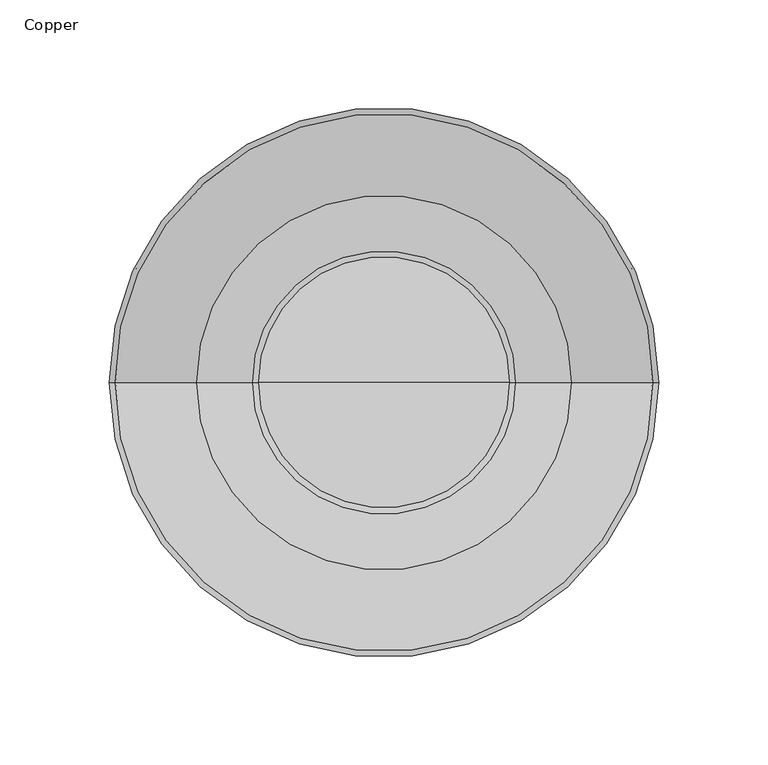
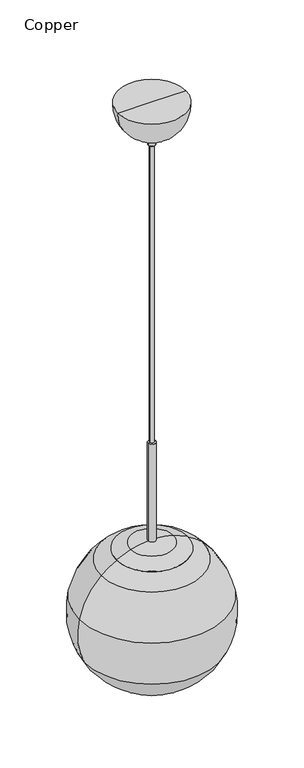
"""IFC4 building model written with IfcOpenShell, lengths in millimetres: furniture geometry, Copper."""

from ifc_helpers import new_model, si_unit, point, frame, origin, place, context, project, spatial, polyline, circle_curve, ellipse_curve, trimmed, source, transform, mapped, element, save
from ifc_brep_helpers import plane_surface, cylinder_surface, revolved_surface, advanced_brep


def copper_53b5c89a(model_context):
    return source(origin(), model_context, "Body", "AdvancedBrep", [
        advanced_brep(
        [(6.5, 0.0, 1676.4), (-6.5, 0.0, 1676.4), (0.0, 0.0, 1676.4), (6.5, 0.0, 1501.3458771), (-6.5, 0.0, 1501.3458771), (35.8323867, 0.0, 1496.3359968), (-35.8323867, 0.0, 1496.3359968), (60.25, 0.0, 1485.9713348), (-60.25, 0.0, 1485.9713348), (59.7818527, 0.0, 1485.0876831), (-59.7818527, 0.0, 1485.0876831), (85.7983932, 0.0, 1467.0335754), (-85.7983932, 0.0, 1467.0335754), (123.2234955, 0.0, 1401.8036255), (-123.2234955, 0.0, 1401.8036255), (114.4541931, 0.0, 1321.767691), (-114.4541931, 0.0, 1321.767691), (75.2418823, 0.0, 1274.3469604), (-75.2418823, 0.0, 1274.3469604), (73.4864235, 0.0, 1274.3469604), (-73.4864235, 0.0, 1274.3469604), (113.532471, 0.0, 1322.1951069), (-113.532471, 0.0, 1322.1951069), (122.2310909, 0.0, 1401.5859349), (-122.2310909, 0.0, 1401.5859349), (85.1096055, 0.0, 1466.2866969), (-85.1096055, 0.0, 1466.2866969), (57.4904534, 0.0, 1485.0876831), (-57.4904534, 0.0, 1485.0876831), (50.9951096, 0.0, 1474.0021271), (-50.9951096, 0.0, 1474.0021271), (-50.9951096, 0.0, 1485.0876831), (50.9951096, 0.0, 1485.0876831), (15.5002022, 0.0, 1474.0021271), (-15.5002022, 0.0, 1474.0021271), (15.5002022, 0.0, 1421.0999512), (-15.5002022, 0.0, 1421.0999512), (14.4842022, 0.0, 1421.0999512), (-14.4842022, 0.0, 1421.0999512), (14.4842022, 0.0, 1474.0021271), (-14.4842022, 0.0, 1474.0021271), (0.0, 0.0, 1474.0021271)],
        [
            (0, 1, circle_curve(frame((0.0, 0.0, 1676.4), z_axis=(0.0, 0.0, 1.0), x_axis=(-1.0, 0.0, 0.0)), 6.5)),
            (1, 2),
            (2, 0),
            (1, 0, circle_curve(frame((0.0, 0.0, 1676.4), z_axis=(0.0, 0.0, 1.0), x_axis=(-1.0, 0.0, 0.0)), 6.5)),
            (3, 4, circle_curve(frame((0.0, 0.0, 1501.3458771), z_axis=(0.0, 0.0, 1.0), x_axis=(-1.0, 0.0, 0.0)), 6.5)),
            (4, 1),
            (0, 3),
            (4, 3, circle_curve(frame((0.0, 0.0, 1501.3458771), z_axis=(0.0, 0.0, 1.0), x_axis=(-1.0, 0.0, 0.0)), 6.5)),
            (5, 6, circle_curve(frame((0.0, 0.0, 1496.3359968), z_axis=(0.0, 0.0, 1.0), x_axis=(-1.0, 0.0, 0.0)), 35.8323867)),
            (6, 4, circle_curve(frame((-3.5340236, 0.0, 1395.6062108), z_axis=(0.0, 1.0, 0.0), x_axis=(1.0, 0.0, 0.0)), 105.7812556)),
            (3, 5, circle_curve(frame((3.5340236, 0.0, 1395.6062108), z_axis=(0.0, 1.0, 0.0), x_axis=(-1.0, 0.0, 0.0)), 105.7812556)),
            (6, 5, circle_curve(frame((0.0, 0.0, 1496.3359968), z_axis=(0.0, 0.0, 1.0), x_axis=(-1.0, 0.0, 0.0)), 35.8323867)),
            (7, 8, circle_curve(frame((0.0, 0.0, 1485.9713348), z_axis=(0.0, 0.0, 1.0), x_axis=(-1.0, 0.0, 0.0)), 60.25)),
            (8, 6, circle_curve(frame((8.6630824, 0.0, 1357.5667636), z_axis=(0.0, 1.0, 0.0), x_axis=(1.0, 0.0, 0.0)), 145.7283323)),
            (5, 7, circle_curve(frame((-8.6630824, 0.0, 1357.5667636), z_axis=(0.0, 1.0, 0.0), x_axis=(-1.0, 0.0, 0.0)), 145.7283323)),
            (8, 7, circle_curve(frame((0.0, 0.0, 1485.9713348), z_axis=(0.0, 0.0, 1.0), x_axis=(-1.0, 0.0, 0.0)), 60.25)),
            (9, 10, circle_curve(frame((0.0, 0.0, 1485.0876831), z_axis=(0.0, 0.0, 1.0), x_axis=(-1.0, 0.0, 0.0)), 59.7818527)),
            (10, 8),
            (7, 9),
            (10, 9, circle_curve(frame((0.0, 0.0, 1485.0876831), z_axis=(0.0, 0.0, 1.0), x_axis=(-1.0, 0.0, 0.0)), 59.7818527)),
            (11, 12, circle_curve(frame((0.0, 0.0, 1467.0335754), z_axis=(0.0, 0.0, 1.0), x_axis=(-1.0, 0.0, 0.0)), 85.7983932)),
            (12, 10, circle_curve(frame((-7.9378451, 0.0, 1382.6064443), z_axis=(0.0, 1.0, 0.0), x_axis=(1.0, 0.0, 0.0)), 114.8486196)),
            (9, 11, circle_curve(frame((7.9378451, 0.0, 1382.6064443), z_axis=(0.0, 1.0, 0.0), x_axis=(-1.0, 0.0, 0.0)), 114.8486196)),
            (12, 11, circle_curve(frame((0.0, 0.0, 1467.0335754), z_axis=(0.0, 0.0, 1.0), x_axis=(-1.0, 0.0, 0.0)), 85.7983932)),
            (13, 14, circle_curve(frame((0.0, 0.0, 1401.8036255), z_axis=(0.0, 0.0, 1.0), x_axis=(-1.0, 0.0, 0.0)), 123.2234955)),
            (14, 12, circle_curve(frame((-0.8954985, 0.0, 1374.9701622), z_axis=(0.0, 1.0, 0.0), x_axis=(1.0, 0.0, 0.0)), 125.2364707)),
            (11, 13, circle_curve(frame((0.8954985, 0.0, 1374.9701622), z_axis=(0.0, 1.0, 0.0), x_axis=(-1.0, 0.0, 0.0)), 125.2364707)),
            (14, 13, circle_curve(frame((0.0, 0.0, 1401.8036255), z_axis=(0.0, 0.0, 1.0), x_axis=(-1.0, 0.0, 0.0)), 123.2234955)),
            (15, 16, circle_curve(frame((0.0, 0.0, 1321.767691), z_axis=(0.0, 0.0, 1.0), x_axis=(-1.0, 0.0, 0.0)), 114.4541931)),
            (16, 14, circle_curve(frame((-0.0995761, 0.0, 1374.7955713), z_axis=(0.0, 1.0, 0.0), x_axis=(1.0, 0.0, 0.0)), 126.051317)),
            (13, 15, circle_curve(frame((0.0995761, 0.0, 1374.7955713), z_axis=(0.0, 1.0, 0.0), x_axis=(-1.0, 0.0, 0.0)), 126.051317)),
            (16, 15, circle_curve(frame((0.0, 0.0, 1321.767691), z_axis=(0.0, 0.0, 1.0), x_axis=(-1.0, 0.0, 0.0)), 114.4541931)),
            (17, 18, circle_curve(frame((0.0, 0.0, 1274.3469604), z_axis=(0.0, 0.0, 1.0), x_axis=(-1.0, 0.0, 0.0)), 75.2418823)),
            (18, 16, circle_curve(frame((-4.5310961, 0.0, 1372.7406117), z_axis=(0.0, 1.0, 0.0), x_axis=(1.0, 0.0, 0.0)), 121.1665214)),
            (15, 17, circle_curve(frame((4.5310961, 0.0, 1372.7406117), z_axis=(0.0, 1.0, 0.0), x_axis=(-1.0, 0.0, 0.0)), 121.1665214)),
            (18, 17, circle_curve(frame((0.0, 0.0, 1274.3469604), z_axis=(0.0, 0.0, 1.0), x_axis=(-1.0, 0.0, 0.0)), 75.2418823)),
            (19, 20, circle_curve(frame((0.0, 0.0, 1274.3469604), z_axis=(0.0, 0.0, 1.0), x_axis=(-1.0, 0.0, 0.0)), 73.4864235)),
            (20, 18),
            (17, 19),
            (20, 19, circle_curve(frame((0.0, 0.0, 1274.3469604), z_axis=(0.0, 0.0, 1.0), x_axis=(-1.0, 0.0, 0.0)), 73.4864235)),
            (21, 22, circle_curve(frame((0.0, 0.0, 1322.1951069), z_axis=(0.0, 0.0, 1.0), x_axis=(-1.0, 0.0, 0.0)), 113.532471)),
            (22, 20, circle_curve(frame((-4.5310961, 0.0, 1372.7406117), z_axis=(0.0, -1.0, 0.0), x_axis=(1.0, 0.0, 0.0)), 120.1505214)),
            (19, 21, circle_curve(frame((4.5310961, 0.0, 1372.7406117), z_axis=(0.0, -1.0, 0.0), x_axis=(-1.0, 0.0, 0.0)), 120.1505214)),
            (22, 21, circle_curve(frame((0.0, 0.0, 1322.1951069), z_axis=(0.0, 0.0, 1.0), x_axis=(-1.0, 0.0, 0.0)), 113.532471)),
            (23, 24, circle_curve(frame((0.0, 0.0, 1401.5859349), z_axis=(0.0, 0.0, 1.0), x_axis=(-1.0, 0.0, 0.0)), 122.2310909)),
            (24, 22, circle_curve(frame((-0.0995761, 0.0, 1374.7955713), z_axis=(0.0, -1.0, 0.0), x_axis=(1.0, 0.0, 0.0)), 125.035317)),
            (21, 23, circle_curve(frame((0.0995761, 0.0, 1374.7955713), z_axis=(0.0, -1.0, 0.0), x_axis=(-1.0, 0.0, 0.0)), 125.035317)),
            (24, 23, circle_curve(frame((0.0, 0.0, 1401.5859349), z_axis=(0.0, 0.0, 1.0), x_axis=(-1.0, 0.0, 0.0)), 122.2310909)),
            (25, 26, circle_curve(frame((0.0, 0.0, 1466.2866969), z_axis=(0.0, 0.0, 1.0), x_axis=(-1.0, 0.0, 0.0)), 85.1096055)),
            (26, 24, circle_curve(frame((-0.8954985, 0.0, 1374.9701622), z_axis=(0.0, -1.0, 0.0), x_axis=(1.0, 0.0, 0.0)), 124.2204707)),
            (23, 25, circle_curve(frame((0.8954985, 0.0, 1374.9701622), z_axis=(0.0, -1.0, 0.0), x_axis=(-1.0, 0.0, 0.0)), 124.2204707)),
            (26, 25, circle_curve(frame((0.0, 0.0, 1466.2866969), z_axis=(0.0, 0.0, 1.0), x_axis=(-1.0, 0.0, 0.0)), 85.1096055)),
            (27, 28, circle_curve(frame((0.0, 0.0, 1485.0876831), z_axis=(0.0, 0.0, 1.0), x_axis=(-1.0, 0.0, 0.0)), 57.4904534)),
            (28, 26, circle_curve(frame((-7.9378451, 0.0, 1382.6064443), z_axis=(0.0, -1.0, 0.0), x_axis=(1.0, 0.0, 0.0)), 113.8326196)),
            (25, 27, circle_curve(frame((7.9378451, 0.0, 1382.6064443), z_axis=(0.0, -1.0, 0.0), x_axis=(-1.0, 0.0, 0.0)), 113.8326196)),
            (28, 27, circle_curve(frame((0.0, 0.0, 1485.0876831), z_axis=(0.0, 0.0, 1.0), x_axis=(-1.0, 0.0, 0.0)), 57.4904534)),
            (29, 30, circle_curve(frame((0.0, 0.0, 1474.0021271), z_axis=(0.0, 0.0, 1.0), x_axis=(-1.0, 0.0, 0.0)), 50.9951096)),
            (30, 31),
            (31, 32, circle_curve(frame((0.0, 0.0, 1485.0876831), z_axis=(0.0, 0.0, -1.0), x_axis=(-1.0, 0.0, 0.0)), 50.9951096)),
            (32, 29),
            (30, 29, circle_curve(frame((0.0, 0.0, 1474.0021271), z_axis=(0.0, 0.0, 1.0), x_axis=(-1.0, 0.0, 0.0)), 50.9951096)),
            (32, 31, circle_curve(frame((0.0, 0.0, 1485.0876831), z_axis=(0.0, 0.0, -1.0), x_axis=(-1.0, 0.0, 0.0)), 50.9951096)),
            (33, 34, circle_curve(frame((0.0, 0.0, 1474.0021271), z_axis=(0.0, 0.0, 1.0), x_axis=(-1.0, 0.0, 0.0)), 15.5002022)),
            (34, 30),
            (29, 33),
            (34, 33, circle_curve(frame((0.0, 0.0, 1474.0021271), z_axis=(0.0, 0.0, 1.0), x_axis=(-1.0, 0.0, 0.0)), 15.5002022)),
            (35, 36, circle_curve(frame((0.0, 0.0, 1421.0999512), z_axis=(0.0, 0.0, 1.0), x_axis=(-1.0, 0.0, 0.0)), 15.5002022)),
            (36, 34),
            (33, 35),
            (36, 35, circle_curve(frame((0.0, 0.0, 1421.0999512), z_axis=(0.0, 0.0, 1.0), x_axis=(-1.0, 0.0, 0.0)), 15.5002022)),
            (37, 38, circle_curve(frame((0.0, 0.0, 1421.0999512), z_axis=(0.0, 0.0, 1.0), x_axis=(-1.0, 0.0, 0.0)), 14.4842022)),
            (38, 36),
            (35, 37),
            (38, 37, circle_curve(frame((0.0, 0.0, 1421.0999512), z_axis=(0.0, 0.0, 1.0), x_axis=(-1.0, 0.0, 0.0)), 14.4842022)),
            (39, 40, circle_curve(frame((0.0, 0.0, 1474.0021271), z_axis=(0.0, 0.0, 1.0), x_axis=(-1.0, 0.0, 0.0)), 14.4842022)),
            (40, 38),
            (37, 39),
            (40, 39, circle_curve(frame((0.0, 0.0, 1474.0021271), z_axis=(0.0, 0.0, 1.0), x_axis=(-1.0, 0.0, 0.0)), 14.4842022)),
            (41, 40),
            (39, 41),
            (31, 28),
            (27, 32),
        ],
        [
            plane_surface(frame((0.0, 0.0, 1676.4), z_axis=(0.0, 0.0, 1.0), x_axis=(-1.0, 0.0, 0.0))),
            cylinder_surface(frame((0.0, 0.0, 1045.5765484), z_axis=(0.0, 0.0, -1.0), x_axis=(-1.0, 0.0, 0.0)), 6.5),
            revolved_surface(trimmed(ellipse_curve(frame((-3.5340236, 0.0, 1395.6062108), z_axis=(0.0, -1.0, 0.0), x_axis=(1.0, 0.0, 0.0)), 105.7812556, 105.7812556), [point((-6.5, 0.0, 1501.3458771))], [point((-35.8323867, 0.0, 1496.3359968))], True, "CARTESIAN"), (0.0, 0.0, 1045.5765484), (0.0, 0.0, -1.0)),
            revolved_surface(trimmed(ellipse_curve(frame((8.6630824, 0.0, 1357.5667636), z_axis=(0.0, -1.0, 0.0), x_axis=(1.0, 0.0, 0.0)), 145.7283323, 145.7283323), [point((-35.8323867, 0.0, 1496.3359968))], [point((-60.25, 0.0, 1485.9713348))], True, "CARTESIAN"), (0.0, 0.0, 1045.5765484), (0.0, 0.0, -1.0)),
            revolved_surface(polyline([(-60.25, 0.0, 1485.9713348), (-59.7818527, 0.0, 1485.0876831)]), (0.0, 0.0, 1045.5765484), (0.0, 0.0, -1.0)),
            revolved_surface(trimmed(ellipse_curve(frame((-7.9378451, 0.0, 1382.6064443), z_axis=(0.0, -1.0, 0.0), x_axis=(1.0, 0.0, 0.0)), 114.8486196, 114.8486196), [point((-59.7818527, 0.0, 1485.0876831))], [point((-85.7983932, 0.0, 1467.0335754))], True, "CARTESIAN"), (0.0, 0.0, 1045.5765484), (0.0, 0.0, -1.0)),
            revolved_surface(trimmed(ellipse_curve(frame((-0.8954985, 0.0, 1374.9701622), z_axis=(0.0, -1.0, 0.0), x_axis=(1.0, 0.0, 0.0)), 125.2364707, 125.2364707), [point((-85.7983932, 0.0, 1467.0335754))], [point((-123.2234955, 0.0, 1401.8036255))], True, "CARTESIAN"), (0.0, 0.0, 1045.5765484), (0.0, 0.0, -1.0)),
            revolved_surface(trimmed(ellipse_curve(frame((-0.0995761, 0.0, 1374.7955713), z_axis=(0.0, -1.0, 0.0), x_axis=(1.0, 0.0, 0.0)), 126.051317, 126.051317), [point((-123.2234955, 0.0, 1401.8036255))], [point((-114.4541931, 0.0, 1321.767691))], True, "CARTESIAN"), (0.0, 0.0, 1045.5765484), (0.0, 0.0, -1.0)),
            revolved_surface(trimmed(ellipse_curve(frame((-4.5310961, 0.0, 1372.7406117), z_axis=(0.0, -1.0, 0.0), x_axis=(1.0, 0.0, 0.0)), 121.1665214, 121.1665214), [point((-114.4541931, 0.0, 1321.767691))], [point((-75.2418823, 0.0, 1274.3469604))], True, "CARTESIAN"), (0.0, 0.0, 1045.5765484), (0.0, 0.0, -1.0)),
            plane_surface(frame((0.0, 0.0, 1274.3469604), z_axis=(0.0, 0.0, -1.0), x_axis=(-1.0, 0.0, 0.0))),
            revolved_surface(trimmed(ellipse_curve(frame((-4.5310961, 0.0, 1372.7406117), z_axis=(0.0, 1.0, 0.0), x_axis=(1.0, 0.0, 0.0)), 120.1505214, 120.1505214), [point((-73.4864235, 0.0, 1274.3469604))], [point((-113.532471, 0.0, 1322.1951069))], True, "CARTESIAN"), (0.0, 0.0, 1045.5765484), (0.0, 0.0, -1.0)),
            revolved_surface(trimmed(ellipse_curve(frame((-0.0995761, 0.0, 1374.7955713), z_axis=(0.0, 1.0, 0.0), x_axis=(1.0, 0.0, 0.0)), 125.035317, 125.035317), [point((-113.532471, 0.0, 1322.1951069))], [point((-122.2310909, 0.0, 1401.5859349))], True, "CARTESIAN"), (0.0, 0.0, 1045.5765484), (0.0, 0.0, -1.0)),
            revolved_surface(trimmed(ellipse_curve(frame((-0.8954985, 0.0, 1374.9701622), z_axis=(0.0, 1.0, 0.0), x_axis=(1.0, 0.0, 0.0)), 124.2204707, 124.2204707), [point((-122.2310909, 0.0, 1401.5859349))], [point((-85.1096055, 0.0, 1466.2866969))], True, "CARTESIAN"), (0.0, 0.0, 1045.5765484), (0.0, 0.0, -1.0)),
            revolved_surface(trimmed(ellipse_curve(frame((-7.9378451, 0.0, 1382.6064443), z_axis=(0.0, 1.0, 0.0), x_axis=(1.0, 0.0, 0.0)), 113.8326196, 113.8326196), [point((-85.1096055, 0.0, 1466.2866969))], [point((-57.4904534, 0.0, 1485.0876831))], True, "CARTESIAN"), (0.0, 0.0, 1045.5765484), (0.0, 0.0, -1.0)),
            cylinder_surface(frame((0.0, 0.0, 1045.5765484), z_axis=(0.0, 0.0, -1.0), x_axis=(-1.0, 0.0, 0.0)), 50.9951096),
            plane_surface(frame((0.0, 0.0, 1474.0021271), z_axis=(0.0, 0.0, -1.0), x_axis=(-1.0, 0.0, 0.0))),
            cylinder_surface(frame((0.0, 0.0, 1045.5765484), z_axis=(0.0, 0.0, -1.0), x_axis=(-1.0, 0.0, 0.0)), 15.5002022),
            plane_surface(frame((0.0, 0.0, 1421.0999512), z_axis=(0.0, 0.0, -1.0), x_axis=(-1.0, 0.0, 0.0))),
            revolved_surface(polyline([(-14.4842022, 0.0, 1421.0999512), (-14.4842022, 0.0, 1474.0021271)]), (0.0, 0.0, 1045.5765484), (0.0, 0.0, -1.0)),
            plane_surface(frame((0.0, 0.0, 1485.0876831), z_axis=(0.0, 0.0, -1.0), x_axis=(-1.0, 0.0, 0.0))),
        ],
        [
            (0, [[1, 2, 3]]),
            (0, [[4, -3, -2]]),
            (1, [[5, 6, -1, 7]]),
            (1, [[8, -7, -4, -6]]),
            (2, [[9, 10, -5, 11]]),
            (2, [[12, -11, -8, -10]]),
            (3, [[13, 14, -9, 15]]),
            (3, [[16, -15, -12, -14]]),
            (4, [[17, 18, -13, 19]]),
            (4, [[20, -19, -16, -18]]),
            (5, [[21, 22, -17, 23]]),
            (5, [[24, -23, -20, -22]]),
            (6, [[25, 26, -21, 27]]),
            (6, [[28, -27, -24, -26]]),
            (7, [[29, 30, -25, 31]]),
            (7, [[32, -31, -28, -30]]),
            (8, [[33, 34, -29, 35]]),
            (8, [[36, -35, -32, -34]]),
            (9, [[37, 38, -33, 39]]),
            (9, [[40, -39, -36, -38]]),
            (10, [[41, 42, -37, 43]]),
            (10, [[44, -43, -40, -42]]),
            (11, [[45, 46, -41, 47]]),
            (11, [[48, -47, -44, -46]]),
            (12, [[49, 50, -45, 51]]),
            (12, [[52, -51, -48, -50]]),
            (13, [[53, 54, -49, 55]]),
            (13, [[56, -55, -52, -54]]),
            (14, [[57, 58, 59, 60]]),
            (14, [[61, -60, 62, -58]]),
            (15, [[63, 64, -57, 65]]),
            (15, [[66, -65, -61, -64]]),
            (16, [[67, 68, -63, 69]]),
            (16, [[70, -69, -66, -68]]),
            (17, [[71, 72, -67, 73]]),
            (17, [[74, -73, -70, -72]]),
            (18, [[75, 76, -71, 77]]),
            (18, [[78, -77, -74, -76]]),
            (15, [[79, -75, 80]]),
            (15, [[-80, -78, -79]]),
            (19, [[-59, 81, -53, 82]]),
            (19, [[-62, -82, -56, -81]]),
        ],
    ),
        advanced_brep(
        [(3.556, 0.0, 2209.8), (-3.556, 0.0, 2209.8), (0.0, 0.0, 2209.8), (3.556, 0.0, 1676.4), (-3.556, 0.0, 1676.4), (0.0, 0.0, 1676.4)],
        [
            (0, 1, circle_curve(frame((0.0, 0.0, 2209.8), z_axis=(0.0, 0.0, 1.0), x_axis=(-1.0, 0.0, 0.0)), 3.556)),
            (1, 2),
            (2, 0),
            (1, 0, circle_curve(frame((0.0, 0.0, 2209.8), z_axis=(0.0, 0.0, 1.0), x_axis=(-1.0, 0.0, 0.0)), 3.556)),
            (3, 4, circle_curve(frame((0.0, 0.0, 1676.4), z_axis=(0.0, 0.0, 1.0), x_axis=(-1.0, 0.0, 0.0)), 3.556)),
            (4, 1),
            (0, 3),
            (4, 3, circle_curve(frame((0.0, 0.0, 1676.4), z_axis=(0.0, 0.0, 1.0), x_axis=(-1.0, 0.0, 0.0)), 3.556)),
            (5, 4),
            (3, 5),
        ],
        [
            plane_surface(frame((0.0, 0.0, 2209.8), z_axis=(0.0, 0.0, 1.0), x_axis=(-1.0, 0.0, 0.0))),
            cylinder_surface(frame((0.0, 0.0, 2421.4288111), z_axis=(0.0, 0.0, -1.0), x_axis=(-1.0, 0.0, 0.0)), 3.556),
            plane_surface(frame((0.0, 0.0, 1676.4), z_axis=(0.0, 0.0, -1.0), x_axis=(-1.0, 0.0, 0.0))),
        ],
        [
            (0, [[1, 2, 3]]),
            (0, [[4, -3, -2]]),
            (1, [[5, 6, -1, 7]]),
            (1, [[8, -7, -4, -6]]),
            (2, [[9, -5, 10]]),
            (2, [[-10, -8, -9]]),
        ],
    ),
        advanced_brep(
        [(57.4224398, 0.0, 2286.0), (-57.4224398, 0.0, 2286.0), (0.0, 0.0, 2286.0), (11.2391644, 0.0, 2226.2351074), (-11.2391644, 0.0, 2226.2351074), (7.2539285, 0.0, 2226.2351074), (-7.2539285, 0.0, 2226.2351074), (6.4923271, 0.0, 2225.4977527), (-6.4923271, 0.0, 2225.4977527), (6.0082113, 0.0, 2210.5373547), (-6.0082113, 0.0, 2210.5373547), (5.2466099, 0.0, 2209.8), (-5.2466099, 0.0, 2209.8), (0.0, 0.0, 2209.8)],
        [
            (0, 1, circle_curve(frame((0.0, 0.0, 2286.0), z_axis=(0.0, 0.0, 1.0), x_axis=(-1.0, 0.0, 0.0)), 57.4224398)),
            (1, 2),
            (2, 0),
            (1, 0, circle_curve(frame((0.0, 0.0, 2286.0), z_axis=(0.0, 0.0, 1.0), x_axis=(-1.0, 0.0, 0.0)), 57.4224398)),
            (3, 4, circle_curve(frame((0.0, 0.0, 2226.2351074), z_axis=(0.0, 0.0, 1.0), x_axis=(-1.0, 0.0, 0.0)), 11.2391644)),
            (4, 1, circle_curve(frame((-0.0218276, 0.0, 2282.6297877), z_axis=(0.0, 1.0, 0.0), x_axis=(1.0, 0.0, 0.0)), 57.4994662)),
            (0, 3, circle_curve(frame((0.0218276, 0.0, 2282.6297877), z_axis=(0.0, 1.0, 0.0), x_axis=(-1.0, 0.0, 0.0)), 57.4994662)),
            (4, 3, circle_curve(frame((0.0, 0.0, 2226.2351074), z_axis=(0.0, 0.0, 1.0), x_axis=(-1.0, 0.0, 0.0)), 11.2391644)),
            (5, 6, circle_curve(frame((0.0, 0.0, 2226.2351074), z_axis=(0.0, 0.0, 1.0), x_axis=(-1.0, 0.0, 0.0)), 7.2539285)),
            (6, 4),
            (3, 5),
            (6, 5, circle_curve(frame((0.0, 0.0, 2226.2351074), z_axis=(0.0, 0.0, 1.0), x_axis=(-1.0, 0.0, 0.0)), 7.2539285)),
            (7, 8, circle_curve(frame((0.0, 0.0, 2225.4977527), z_axis=(0.0, 0.0, 1.0), x_axis=(-1.0, 0.0, 0.0)), 6.4923271)),
            (8, 6, circle_curve(frame((-7.2539285, 0.0, 2225.4731074), z_axis=(0.0, -1.0, 0.0), x_axis=(1.0, 0.0, 0.0)), 0.762)),
            (5, 7, circle_curve(frame((7.2539285, 0.0, 2225.4731074), z_axis=(0.0, -1.0, 0.0), x_axis=(-1.0, 0.0, 0.0)), 0.762)),
            (8, 7, circle_curve(frame((0.0, 0.0, 2225.4977527), z_axis=(0.0, 0.0, 1.0), x_axis=(-1.0, 0.0, 0.0)), 6.4923271)),
            (9, 10, circle_curve(frame((0.0, 0.0, 2210.5373547), z_axis=(0.0, 0.0, 1.0), x_axis=(-1.0, 0.0, 0.0)), 6.0082113)),
            (10, 8),
            (7, 9),
            (10, 9, circle_curve(frame((0.0, 0.0, 2210.5373547), z_axis=(0.0, 0.0, 1.0), x_axis=(-1.0, 0.0, 0.0)), 6.0082113)),
            (11, 12, circle_curve(frame((0.0, 0.0, 2209.8), z_axis=(0.0, 0.0, 1.0), x_axis=(-1.0, 0.0, 0.0)), 5.2466099)),
            (12, 10, circle_curve(frame((-5.2466099, 0.0, 2210.562), z_axis=(0.0, 1.0, 0.0), x_axis=(1.0, 0.0, 0.0)), 0.762)),
            (9, 11, circle_curve(frame((5.2466099, 0.0, 2210.562), z_axis=(0.0, 1.0, 0.0), x_axis=(-1.0, 0.0, 0.0)), 0.762)),
            (12, 11, circle_curve(frame((0.0, 0.0, 2209.8), z_axis=(0.0, 0.0, 1.0), x_axis=(-1.0, 0.0, 0.0)), 5.2466099)),
            (13, 12),
            (11, 13),
        ],
        [
            plane_surface(frame((0.0, 0.0, 2286.0), z_axis=(0.0, 0.0, 1.0), x_axis=(-1.0, 0.0, 0.0))),
            revolved_surface(trimmed(ellipse_curve(frame((-0.0218276, 0.0, 2282.6297877), z_axis=(0.0, -1.0, 0.0), x_axis=(1.0, 0.0, 0.0)), 57.4994662, 57.4994662), [point((-57.4224398, 0.0, 2286.0))], [point((-11.2391644, 0.0, 2226.2351074))], True, "CARTESIAN"), (0.0, 0.0, 2311.4), (0.0, 0.0, -1.0)),
            plane_surface(frame((0.0, 0.0, 2226.2351074), z_axis=(0.0, 0.0, -1.0), x_axis=(-1.0, 0.0, 0.0))),
            revolved_surface(trimmed(ellipse_curve(frame((-7.2539285, 0.0, 2225.4731074), z_axis=(0.0, 1.0, 0.0), x_axis=(1.0, 0.0, 0.0)), 0.762, 0.762), [point((-7.2539285, 0.0, 2226.2351074))], [point((-6.4923271, 0.0, 2225.4977527))], True, "CARTESIAN"), (0.0, 0.0, 2311.4), (0.0, 0.0, -1.0)),
            revolved_surface(polyline([(-6.4923271, 0.0, 2225.4977527), (-6.0082113, 0.0, 2210.5373547)]), (0.0, 0.0, 2311.4), (0.0, 0.0, -1.0)),
            revolved_surface(trimmed(ellipse_curve(frame((-5.2466099, 0.0, 2210.562), z_axis=(0.0, -1.0, 0.0), x_axis=(1.0, 0.0, 0.0)), 0.762, 0.762), [point((-6.0082113, 0.0, 2210.5373547))], [point((-5.2466099, 0.0, 2209.8))], True, "CARTESIAN"), (0.0, 0.0, 2311.4), (0.0, 0.0, -1.0)),
            plane_surface(frame((0.0, 0.0, 2209.8), z_axis=(0.0, 0.0, -1.0), x_axis=(-1.0, 0.0, 0.0))),
        ],
        [
            (0, [[1, 2, 3]]),
            (0, [[4, -3, -2]]),
            (1, [[5, 6, -1, 7]]),
            (1, [[8, -7, -4, -6]]),
            (2, [[9, 10, -5, 11]]),
            (2, [[12, -11, -8, -10]]),
            (3, [[13, 14, -9, 15]]),
            (3, [[16, -15, -12, -14]]),
            (4, [[17, 18, -13, 19]]),
            (4, [[20, -19, -16, -18]]),
            (5, [[21, 22, -17, 23]]),
            (5, [[24, -23, -20, -22]]),
            (6, [[25, -21, 26]]),
            (6, [[-26, -24, -25]]),
        ],
    ),
    ])


if __name__ == "__main__":
    model = new_model("IFC4")
    model_context = context("Model", 3, world=origin())
    ifc_project = project(units=[si_unit("LENGTHUNIT", "METRE", prefix="MILLI")], contexts=[model_context])
    site = spatial("IfcSite", under=ifc_project)
    building = spatial("IfcBuilding", under=site)
    placement = place(None, origin())
    copper_shape = copper_53b5c89a(model_context)
    element("IfcFurniture", 1, ObjectType="Copper", at=placement, inside=building, context=model_context, shape_type="MappedRepresentation", body=[
        mapped(copper_shape, transform((0.0, 0.0, 0.0), x_axis=(1.0, 0.0, 0.0), y_axis=(0.0, 1.0, 0.0), z_axis=(0.0, 0.0, 1.0))),
    ])
    save(model, "model.ifc")
